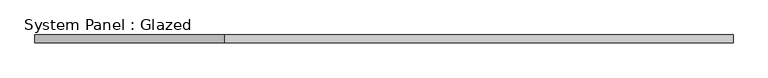
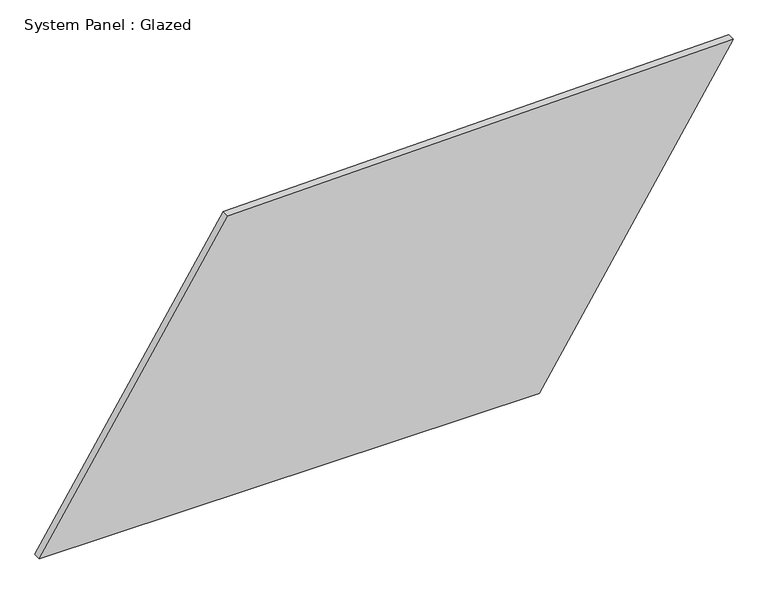
"""IFC4 building model written with IfcOpenShell, lengths in millimetres: plate geometry, System Panel : Glazed."""

from ifc_helpers import new_model, si_unit, frame, origin, place, context, project, spatial, polyline, outline, extrude, source, transform, mapped, element, save


def system_panel_glazed_3e3b7582(model_context):
    return source(origin(), model_context, "Body", "SweptSolid", [
        extrude(outline(polyline([(0.0, -1099.819168), (0.0, 485.0758833), (972.9502546, 1099.819168), (940.3819695, -501.9900778), (0.0, -1099.819168)])), frame((0.0, -49.5, 0.0), z_axis=(0.0, 1.0, 0.0), x_axis=(0.0, 0.0, 1.0)), (0.0, 0.0, 1.0), 25.0),
    ])


if __name__ == "__main__":
    model = new_model("IFC4")
    model_context = context("Model", 3, world=origin())
    ifc_project = project(units=[si_unit("LENGTHUNIT", "METRE", prefix="MILLI")], contexts=[model_context])
    site = spatial("IfcSite", under=ifc_project)
    building = spatial("IfcBuilding", under=site)
    placement = place(None, origin())
    system_panel_glazed_shape = system_panel_glazed_3e3b7582(model_context)
    element("IfcPlate", 1, ObjectType="System Panel : Glazed", at=placement, inside=building, context=model_context, shape_type="MappedRepresentation", body=[
        mapped(system_panel_glazed_shape, transform((0.0, 0.0, 0.0), x_axis=(1.0, 0.0, 0.0), y_axis=(0.0, 1.0, 0.0), z_axis=(0.0, 0.0, 1.0))),
    ])
    save(model, "model.ifc")
